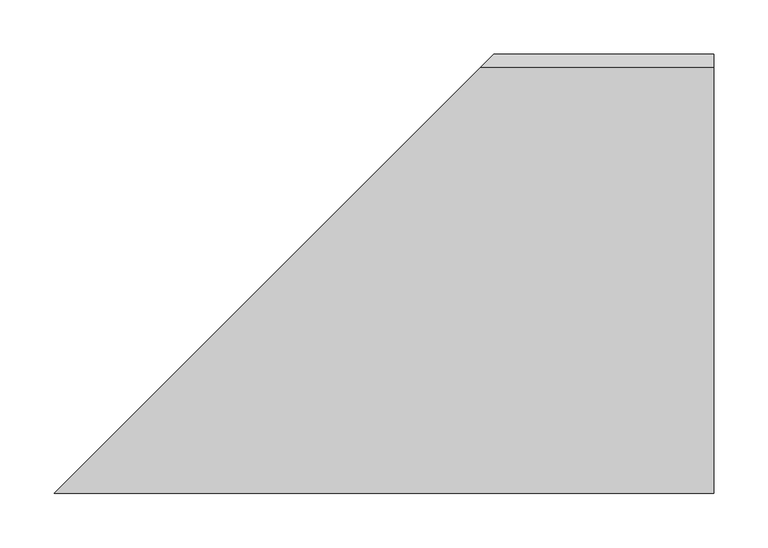
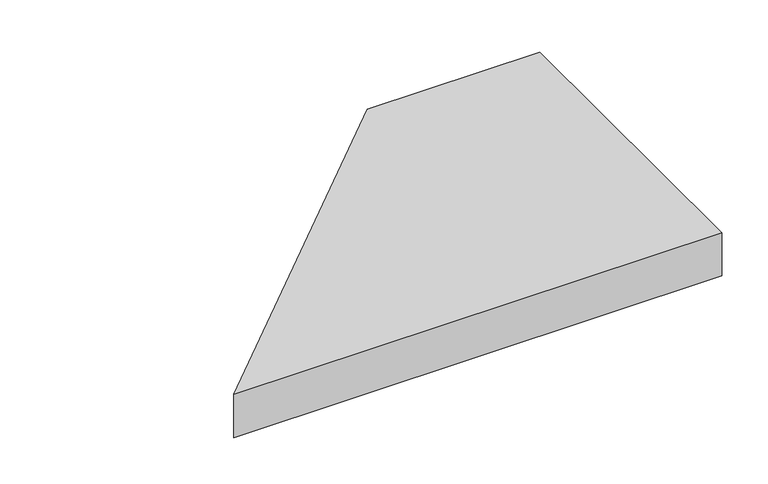
"""IFC4 building model written with IfcOpenShell, lengths in millimetres: proxy geometry."""

from ifc_helpers import new_model, si_unit, origin, place, context, project, spatial, faceted_brep, source, transform, mapped, element, save


def generic_models_710b0979(model_context):
    return source(origin(), model_context, "Body", "Brep", [
        faceted_brep([(609.6, 406.4, 0.0), (609.6, 406.4, 44.45), (609.6, 393.7, 57.15), (609.6, 0.0, 57.15), (609.6, 0.0, 0.0), (393.7, 393.7, 57.15), (0.0, 0.0, 57.15), (0.0, 0.0, 0.0), (406.4, 406.4, 0.0), (406.4, 406.4, 44.45)], [[[0, 1, 2, 3, 4]], [[2, 5, 6, 3]], [[3, 6, 7, 4]], [[4, 7, 8, 0]], [[0, 8, 9, 1]], [[1, 9, 5, 2]], [[5, 9, 8, 7, 6]]]),
    ])


if __name__ == "__main__":
    model = new_model("IFC4")
    model_context = context("Model", 3, world=origin())
    ifc_project = project(units=[si_unit("LENGTHUNIT", "METRE", prefix="MILLI")], contexts=[model_context])
    site = spatial("IfcSite", under=ifc_project)
    building = spatial("IfcBuilding", under=site)
    placement = place(None, origin())
    generic_models_shape = generic_models_710b0979(model_context)
    element("IfcBuildingElementProxy", 1, Name="Generic Models", at=placement, inside=building, context=model_context, shape_type="MappedRepresentation", body=[
        mapped(generic_models_shape, transform((0.0, 0.0, 0.0), x_axis=(1.0, 0.0, 0.0), y_axis=(0.0, 1.0, 0.0), z_axis=(0.0, 0.0, 1.0))),
    ])
    save(model, "model.ifc")
